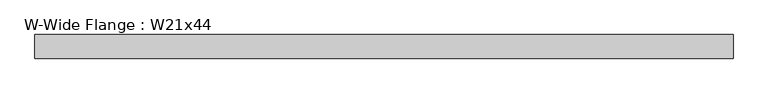
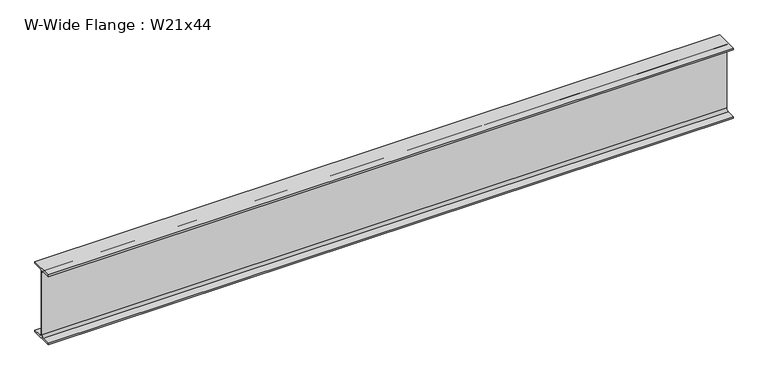
"""IFC4 building model written with IfcOpenShell, lengths in millimetres: beam geometry, W-Wide Flange : W21x44."""

from ifc_helpers import new_model, si_unit, point, frame, frame_2d, origin, place, context, project, spatial, polyline, circle_curve, trimmed, segment, composite_curve, outline, extrude, source, transform, mapped, element, save


def w_wide_flange_w21x44_96f883d7(model_context):
    return source(origin(), model_context, "Body", "SweptSolid", [
        extrude(outline(composite_curve([segment(polyline([(82.55, -251.46), (82.55, -262.89), (-82.55, -262.89), (-82.55, -251.46), (-21.59, -251.46)]), True, "CONTINUOUS"), segment(trimmed(circle_curve(frame_2d((-21.59, -234.315)), 17.145), [point((-21.59, -251.46))], [point((-4.445, -234.315))], True, "CARTESIAN"), True, "CONTINUOUS"), segment(polyline([(-4.445, -234.315), (-4.445, 234.315)]), True, "CONTINUOUS"), segment(trimmed(circle_curve(frame_2d((-21.59, 234.315)), 17.145), [point((-4.445, 234.315))], [point((-21.59, 251.46))], True, "CARTESIAN"), True, "CONTINUOUS"), segment(polyline([(-21.59, 251.46), (-82.55, 251.46), (-82.55, 262.89), (82.55, 262.89), (82.55, 251.46), (21.59, 251.46)]), True, "CONTINUOUS"), segment(trimmed(circle_curve(frame_2d((21.59, 234.315)), 17.145), [point((21.59, 251.46))], [point((4.445, 234.315))], True, "CARTESIAN"), True, "CONTINUOUS"), segment(polyline([(4.445, 234.315), (4.445, -234.315)]), True, "CONTINUOUS"), segment(trimmed(circle_curve(frame_2d((21.59, -234.315)), 17.145), [point((4.445, -234.315))], [point((21.59, -251.46))], True, "CARTESIAN"), True, "CONTINUOUS"), segment(polyline([(21.59, -251.46), (82.55, -251.46)]), True, "CONTINUOUS")], self_intersect=False)), frame((-2289.3388018, 0.0, 0.0), z_axis=(1.0, 0.0, 0.0), x_axis=(0.0, 1.0, 0.0)), (0.0, 0.0, 1.0), 4874.6891378),
    ])


if __name__ == "__main__":
    model = new_model("IFC4")
    model_context = context("Model", 3, world=origin())
    ifc_project = project(units=[si_unit("LENGTHUNIT", "METRE", prefix="MILLI")], contexts=[model_context])
    site = spatial("IfcSite", under=ifc_project)
    building = spatial("IfcBuilding", under=site)
    placement = place(None, origin())
    w_wide_flange_w21x44_shape = w_wide_flange_w21x44_96f883d7(model_context)
    element("IfcBeam", 1, ObjectType="W-Wide Flange : W21x44", at=placement, inside=building, context=model_context, shape_type="MappedRepresentation", body=[
        mapped(w_wide_flange_w21x44_shape, transform((0.0, 0.0, 0.0), x_axis=(1.0, 0.0, 0.0), y_axis=(0.0, 1.0, 0.0), z_axis=(0.0, 0.0, 1.0))),
    ])
    save(model, "model.ifc")
